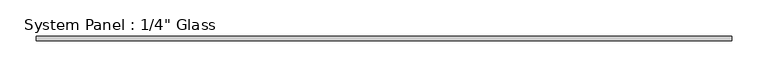
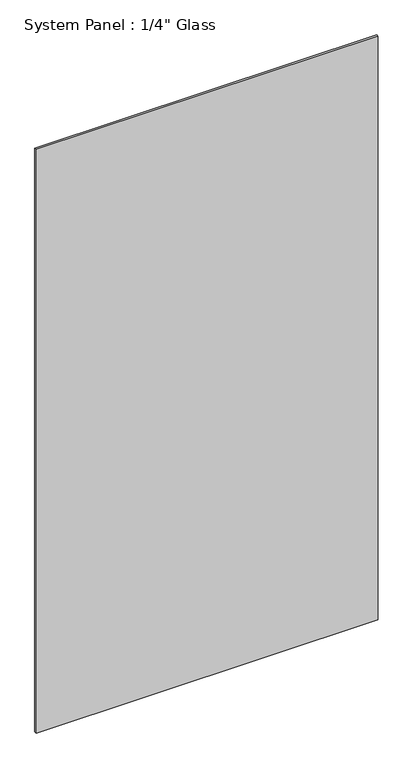
"""IFC4 building model written with IfcOpenShell, lengths in millimetres: plate geometry."""

from ifc_helpers import new_model, si_unit, origin, origin_with_axes, place, context, project, spatial, polyline, outline, extrude, source, transform, mapped, element, save


def plate_25a3ced9(model_context):
    return source(origin(), model_context, "Body", "SweptSolid", [
        extrude(outline(polyline([(482.3631109, -3.175), (-482.3631109, -3.175), (-482.3631109, 3.175), (482.3631109, 3.175), (482.3631109, -3.175)])), origin_with_axes(), (0.0, 0.0, 1.0), 1739.9),
    ])


if __name__ == "__main__":
    model = new_model("IFC4")
    model_context = context("Model", 3, world=origin())
    ifc_project = project(units=[si_unit("LENGTHUNIT", "METRE", prefix="MILLI")], contexts=[model_context])
    site = spatial("IfcSite", under=ifc_project)
    building = spatial("IfcBuilding", under=site)
    placement = place(None, origin())
    plate_shape = plate_25a3ced9(model_context)
    element("IfcPlate", 1, ObjectType="System Panel : 1/4\" Glass", at=placement, inside=building, context=model_context, shape_type="MappedRepresentation", body=[
        mapped(plate_shape, transform((0.0, 0.0, 0.0), x_axis=(1.0, 0.0, 0.0), y_axis=(0.0, 1.0, 0.0), z_axis=(0.0, 0.0, 1.0))),
    ])
    save(model, "model.ifc")
